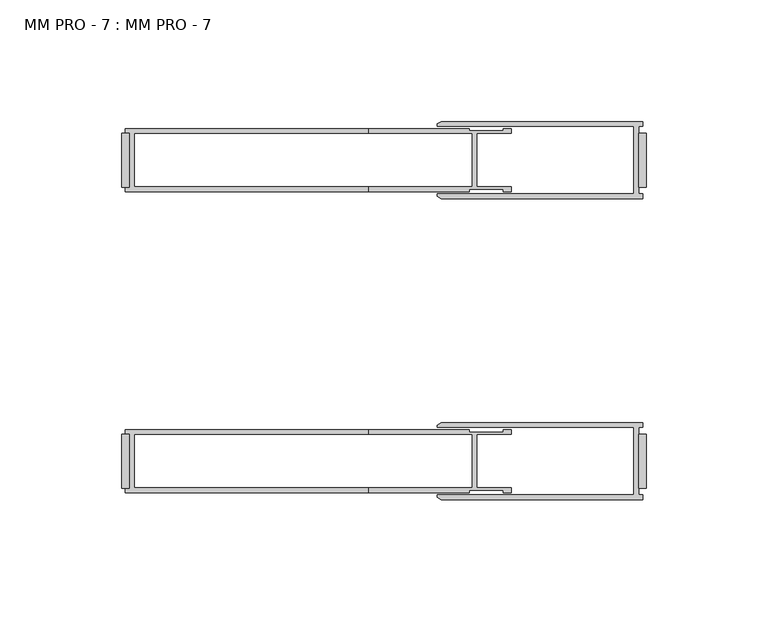
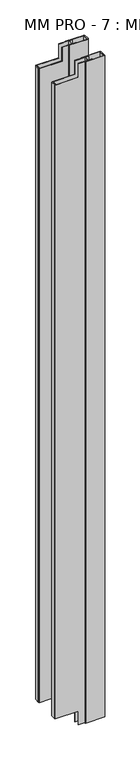
"""IFC4 building model written with IfcOpenShell, lengths in millimetres: proxy geometry, MM PRO - 7 : MM PRO - 7."""

import ifcopenshell
import ifcopenshell.guid

model = None  # the IFC model being written
_history = None  # IfcOwnerHistory: only IFC2X3 demands one
_inside = {}  # id of a spatial element -> (the spatial element, [elements in it])
_under = {}  # id of a project, library or spatial element -> (it, [spatial elements below it])
_declared = {}  # id of a project -> (the project, [libraries it declares])
_typed = {}  # id of a type object -> (the type object, [elements of that type])
_made_of = {}  # id of a material, layer set ... -> (it, [elements and type objects made of it])


def new_model(schema):
    """Start an empty IFC model of exactly this schema.

    Asked for "IFC4X3", IfcOpenShell would pick the latest addendum, in which some entities
    have other attributes; the version numbers below select the first issue.
    IFC2X3 requires an IfcOwnerHistory on every rooted entity: one is made here for all.
    """
    global model, _history
    if schema == "IFC4X3":
        model = ifcopenshell.file(schema_version=(4, 3, 0, 0))
    else:
        model = ifcopenshell.file(schema=schema)
    _inside.clear()
    _under.clear()
    _declared.clear()
    _typed.clear()
    _made_of.clear()
    _history = None
    if model.schema == "IFC2X3":
        org = make("IfcOrganization", Name="unknown")
        user = make(
            "IfcPersonAndOrganization",
            ThePerson=make("IfcPerson", FamilyName="unknown"),
            TheOrganization=org,
        )
        app = make(
            "IfcApplication",
            ApplicationDeveloper=org,
            Version="unknown",
            ApplicationFullName="unknown",
            ApplicationIdentifier="unknown",
        )
        _history = make(
            "IfcOwnerHistory",
            OwningUser=user,
            OwningApplication=app,
            ChangeAction="ADDED",
            CreationDate=0,
        )
    return model


def make(cls, **values):
    """One entity of the class cls with the attributes given. An attribute that is None is left unset."""
    return model.create_entity(
        cls, **{name: value for name, value in values.items() if value is not None}
    )


def rooted(cls, **values):
    """An entity with a GlobalId (a new one), such as an element, a storey or a relation."""
    return make(cls, GlobalId=ifcopenshell.guid.new(), OwnerHistory=_history, **values)


def si_unit(unit_type, name, prefix=None):
    """IfcSIUnit, for example si_unit("LENGTHUNIT", "METRE", prefix="MILLI")."""
    return make("IfcSIUnit", UnitType=unit_type, Prefix=prefix, Name=name)


def assignment(units):
    """IfcUnitAssignment: the units of a project."""
    return None if units is None else make("IfcUnitAssignment", Units=units)


def point(xyz):
    """IfcCartesianPoint."""
    return None if xyz is None else make("IfcCartesianPoint", Coordinates=xyz)


def direction(xyz):
    """IfcDirection."""
    return None if xyz is None else make("IfcDirection", DirectionRatios=xyz)


def frame(location, z_axis=None, x_axis=None):
    """IfcAxis2Placement3D, a coordinate frame: its origin and axes. An axis left out is left unset."""
    return make(
        "IfcAxis2Placement3D",
        Location=point(location),
        Axis=direction(z_axis),
        RefDirection=direction(x_axis),
    )


def origin():
    """The frame at (0, 0, 0) with its axes left unset."""
    return frame((0.0, 0.0, 0.0))


def origin_with_axes():
    """The frame at (0, 0, 0) with the z axis (0, 0, 1) and the x axis (1, 0, 0) written out."""
    return frame((0.0, 0.0, 0.0), z_axis=(0.0, 0.0, 1.0), x_axis=(1.0, 0.0, 0.0))


def place(relative_to, where):
    """IfcLocalPlacement: puts the frame where relative to a parent placement (None: the world)."""
    return make(
        "IfcLocalPlacement", PlacementRelTo=relative_to, RelativePlacement=where
    )


def context(
    kind, dimensions, precision=None, world=None, true_north=None, identifier=None
):
    """IfcGeometricRepresentationContext, for example the 3D "Model" context."""
    return make(
        "IfcGeometricRepresentationContext",
        ContextIdentifier=identifier,
        ContextType=kind,
        CoordinateSpaceDimension=dimensions,
        Precision=precision,
        WorldCoordinateSystem=world,
        TrueNorth=true_north,
    )


def project(units=None, contexts=None):
    """IfcProject with its units and contexts."""
    return rooted(
        "IfcProject",
        Name="project",
        RepresentationContexts=contexts,
        UnitsInContext=assignment(units),
    )


def spatial(cls, under=None, at=None, **own):
    """A site, building, storey or space (cls), placed at a placement, below another one or the project."""
    s = rooted(cls, ObjectPlacement=at, **own)
    if under is not None:
        _under.setdefault(under.id(), (under, []))[1].append(s)
    return s


def polyline(points):
    """IfcPolyline through the points."""
    return make("IfcPolyline", Points=[point(p) for p in points])


def outline(outer, holes=None, kind="AREA"):
    """IfcArbitraryClosedProfileDef: a profile drawn as a closed curve; with holes, ...WithVoids."""
    if holes is None:
        return make("IfcArbitraryClosedProfileDef", ProfileType=kind, OuterCurve=outer)
    return make(
        "IfcArbitraryProfileDefWithVoids",
        ProfileType=kind,
        OuterCurve=outer,
        InnerCurves=holes,
    )


def extrude(swept, where, along, depth):
    """IfcExtrudedAreaSolid: the profile swept, set in the frame where, extruded along a direction by depth."""
    return make(
        "IfcExtrudedAreaSolid",
        SweptArea=swept,
        Position=where,
        ExtrudedDirection=direction(along),
        Depth=depth,
    )


def faces_of(points, faces, orient=None, outer=None):
    """IfcFace entities. A face is a list of loops; a loop is a list of indices into points, from 0.

    orient and outer hold one flag for each loop. By default every Orientation is true, the
    first loop of a face is its IfcFaceOuterBound and the others are IfcFaceBound.
    """
    made = []
    for i, loops in enumerate(faces):
        bounds = []
        for j, loop in enumerate(loops):
            is_outer = j == 0 if outer is None else outer[i][j]
            bounds.append(
                make(
                    "IfcFaceOuterBound" if is_outer else "IfcFaceBound",
                    Bound=make("IfcPolyLoop", Polygon=[points[k] for k in loop]),
                    Orientation=True if orient is None else orient[i][j],
                )
            )
        made.append(make("IfcFace", Bounds=bounds))
    return made


def faceted_brep(points, faces, orient=None, outer=None, voids=None):
    """IfcFacetedBrep: a solid bounded by flat faces; with voids (closed shells), ...WithVoids."""
    shared = [point(p) for p in points]
    hull = make("IfcClosedShell", CfsFaces=faces_of(shared, faces, orient, outer))
    if voids is None:
        return make("IfcFacetedBrep", Outer=hull)
    return make(
        "IfcFacetedBrepWithVoids",
        Outer=hull,
        Voids=[
            make(cls, CfsFaces=faces_of(shared, fs, o, b)) for cls, fs, o, b in voids
        ],
    )


def shape(context_of_items, identifier, shape_type, items):
    """IfcShapeRepresentation: the items that make up one representation, for example the "Body"."""
    return make(
        "IfcShapeRepresentation",
        ContextOfItems=context_of_items,
        RepresentationIdentifier=identifier,
        RepresentationType=shape_type,
        Items=items,
    )


def source(mapping_origin, context_of_items, identifier, shape_type, items):
    """IfcRepresentationMap: a shape defined once, which mapped items show again and again."""
    return make(
        "IfcRepresentationMap",
        MappingOrigin=mapping_origin,
        MappedRepresentation=shape(context_of_items, identifier, shape_type, items),
    )


def transform(
    local_origin,
    x_axis=None,
    y_axis=None,
    z_axis=None,
    scale=None,
    scale2=None,
    scale3=None,
    uniform=True,
):
    """IfcCartesianTransformationOperator3D, or its non-uniform kind. x_axis, y_axis, z_axis: its Axis1, 2, 3."""
    if uniform:
        return make(
            "IfcCartesianTransformationOperator3D",
            Axis1=direction(x_axis),
            Axis2=direction(y_axis),
            LocalOrigin=point(local_origin),
            Scale=scale,
            Axis3=direction(z_axis),
        )
    return make(
        "IfcCartesianTransformationOperator3DnonUniform",
        Axis1=direction(x_axis),
        Axis2=direction(y_axis),
        LocalOrigin=point(local_origin),
        Scale=scale,
        Axis3=direction(z_axis),
        Scale2=scale2,
        Scale3=scale3,
    )


def mapped(mapping_source, mapping_target):
    """IfcMappedItem: shows the shape of a source again, moved by a transform."""
    return make(
        "IfcMappedItem", MappingSource=mapping_source, MappingTarget=mapping_target
    )


def made_of(thing, what):
    """Note that an element or type object is made of a material, layer set ...; save() writes the relation."""
    if what is not None:
        _made_of.setdefault(what.id(), (what, []))[1].append(thing)
    return thing


def element(
    cls,
    number,
    at=None,
    inside=None,
    cuts=None,
    type_object=None,
    material=None,
    context=None,
    identifier="Body",
    shape_type=None,
    held_by="IfcProductDefinitionShape",
    body=None,
    shapes=None,
    **own,
):
    """One element of the class cls, such as IfcWall. Its Tag is "e" and its number.

    at: its placement. inside: the storey or other place that contains it. cuts: it is an
    opening in that element (IfcRelVoidsElement). A single representation is given by context,
    identifier, shape_type and body (its items); several are given by shapes. held_by: the class
    of the entity that holds the representations. save() writes the other relations.
    """
    e = rooted(cls, Tag="e%d" % number, ObjectPlacement=at, **own)
    if body is not None:
        shapes = [shape(context, identifier, shape_type, body)]
    if shapes is not None:
        e.Representation = make(held_by, Representations=shapes)
    if inside is not None:
        _inside.setdefault(inside.id(), (inside, []))[1].append(e)
    if cuts is not None:
        rooted(
            "IfcRelVoidsElement", RelatingBuildingElement=cuts, RelatedOpeningElement=e
        )
    if type_object is not None:
        _typed.setdefault(type_object.id(), (type_object, []))[1].append(e)
    return made_of(e, material)


def aggregate(whole, parts):
    """IfcRelAggregates: a whole, such as a stair, and the parts it consists of."""
    return rooted("IfcRelAggregates", RelatingObject=whole, RelatedObjects=parts)


def save(model, path):
    """Write the relations noted so far, then the file.

    IfcRelAggregates (storeys below a building ...), IfcRelContainedInSpatialStructure (elements
    in a storey), IfcRelDefinesByType, IfcRelAssociatesMaterial and IfcRelDeclares: one each for
    every whole, place, type object, material and project.
    """
    for whole, parts in _under.values():
        aggregate(whole, parts)
    for where, things in _inside.values():
        rooted(
            "IfcRelContainedInSpatialStructure",
            RelatedElements=things,
            RelatingStructure=where,
        )
    for kind, things in _typed.values():
        rooted("IfcRelDefinesByType", RelatedObjects=things, RelatingType=kind)
    for what, things in _made_of.values():
        rooted("IfcRelAssociatesMaterial", RelatedObjects=things, RelatingMaterial=what)
    for by, libraries in _declared.values():
        rooted("IfcRelDeclares", RelatingContext=by, RelatedDefinitions=libraries)
    model.write(path)


def mm_pro_7_mm_pro_7_6fed7f50(model_context):
    return source(origin(), model_context, "Body", "SolidModel", [
        extrude(outline(polyline([(-3.175, 50.8), (-3.175, 73.025), (0.0, 73.025), (0.0, 50.8), (-3.175, 50.8)])), origin_with_axes(), (0.0, 0.0, 1.0), 3048.0),
        extrude(outline(polyline([(-3.175, -50.8), (0.0, -50.8), (0.0, -73.025), (-3.175, -73.025), (-3.175, -50.8)])), origin_with_axes(), (0.0, 0.0, 1.0), 3048.0),
        extrude(outline(polyline([(-215.9, 50.8), (-215.9, 73.025), (-212.725, 73.025), (-212.725, 50.8), (-215.9, 50.8)])), frame((0.0, 0.0, 63.5), z_axis=(0.0, 0.0, 1.0), x_axis=(1.0, 0.0, 0.0)), (0.0, 0.0, 1.0), 2921.0),
        extrude(outline(polyline([(-212.725, -50.8), (-212.725, -73.025), (-215.9, -73.025), (-215.9, -50.8), (-212.725, -50.8)])), frame((0.0, 0.0, 63.5), z_axis=(0.0, 0.0, 1.0), x_axis=(1.0, 0.0, 0.0)), (0.0, 0.0, 1.0), 2921.0),
        faceted_brep([(-72.9257812, 48.9148437, 3048.0), (-72.9257812, 49.9070312, 3048.0), (-58.9359375, 49.9070312, 3048.0), (-58.9359375, 48.9148437, 3048.0), (-55.5625, 48.9148437, 3048.0), (-55.5625, 50.8992187, 3048.0), (-69.7507812, 50.8992187, 3048.0), (-69.7507812, 72.9257812, 3048.0), (-55.5625, 72.9257812, 3048.0), (-55.5625, 74.9101562, 3048.0), (-58.9359375, 74.9101562, 3048.0), (-58.9359375, 73.9179687, 3048.0), (-72.9257812, 73.9179687, 3048.0), (-72.9257812, 74.9101562, 3048.0), (-114.3, 74.9101562, 3048.0), (-114.3, 72.9257812, 3048.0), (-71.7351562, 72.9257812, 3048.0), (-71.7351562, 50.8992187, 3048.0), (-114.3, 50.8992187, 3048.0), (-114.3, 48.9148437, 3048.0), (-72.9257812, 74.9101562, 0.0), (-72.9257812, 73.9179687, 0.0), (-58.9359375, 73.9179687, 0.0), (-58.9359375, 74.9101562, 0.0), (-55.5625, 74.9101562, 0.0), (-55.5625, 72.9257812, 0.0), (-69.7507812, 72.9257812, 0.0), (-69.7507812, 50.8992187, 0.0), (-55.5625, 50.8992187, 0.0), (-55.5625, 48.9148437, 0.0), (-58.9359375, 48.9148437, 0.0), (-58.9359375, 49.9070312, 0.0), (-72.9257812, 49.9070312, 0.0), (-72.9257812, 48.9148437, 0.0), (-114.3, 48.9148437, 0.0), (-114.3, 50.8992187, 0.0), (-71.7351562, 50.8992187, 0.0), (-71.7351562, 72.9257812, 0.0), (-114.3, 72.9257812, 0.0), (-114.3, 74.9101562, 0.0), (-214.3125, 48.9148437, 2984.5), (-214.3125, 50.8706437, 2984.5), (-214.3125, 50.8706437, 63.5), (-214.3125, 48.9148437, 63.5), (-114.3, 48.9148437, 2984.5), (-114.3, 48.9148437, 63.5), (-114.3, 74.9101562, 63.5), (-214.3125, 74.9101562, 63.5), (-214.3125, 74.9101562, 2984.5), (-114.3, 74.9101562, 2984.5), (-214.3125, 72.9543562, 2984.5), (-214.3125, 72.9543562, 63.5), (-212.725, 72.9543562, 2984.5), (-212.725, 72.9543562, 63.5), (-212.725, 50.8706437, 2984.5), (-212.725, 50.8706437, 63.5), (-114.3, 72.9257812, 2984.5), (-210.740625, 72.9257812, 2984.5), (-210.740625, 72.9257812, 63.5), (-114.3, 72.9257812, 63.5), (-114.3, 50.8992187, 63.5), (-210.740625, 50.8992187, 63.5), (-210.740625, 50.8992187, 2984.5), (-114.3, 50.8992187, 2984.5)], [[[0, 1, 2, 3, 4, 5, 6, 7, 8, 9, 10, 11, 12, 13, 14, 15, 16, 17, 18, 19]], [[20, 21, 22, 23, 24, 25, 26, 27, 28, 29, 30, 31, 32, 33, 34, 35, 36, 37, 38, 39]], [[40, 41, 42, 43]], [[33, 0, 19, 44, 40, 43, 45, 34]], [[1, 0, 33, 32]], [[2, 1, 32, 31]], [[3, 2, 31, 30]], [[4, 3, 30, 29]], [[5, 4, 29, 28]], [[6, 5, 28, 27]], [[7, 6, 27, 26]], [[8, 7, 26, 25]], [[9, 8, 25, 24]], [[10, 9, 24, 23]], [[11, 10, 23, 22]], [[12, 11, 22, 21]], [[13, 12, 21, 20]], [[13, 20, 39, 46, 47, 48, 49, 14]], [[50, 48, 47, 51]], [[52, 50, 51, 53]], [[54, 52, 53, 55]], [[41, 54, 55, 42]], [[37, 16, 15, 56, 57, 58, 59, 38]], [[17, 16, 37, 36]], [[17, 36, 35, 60, 61, 62, 63, 18]], [[57, 62, 61, 58]], [[56, 49, 48, 50, 52, 54, 41, 40, 44, 63, 62, 57]], [[49, 56, 15, 14]], [[63, 44, 19, 18]], [[59, 46, 39, 38]], [[45, 60, 35, 34]], [[46, 59, 58, 61, 60, 45, 43, 42, 55, 53, 51, 47]]]),
        faceted_brep([(-72.9257812, -74.9101563, 3048.0), (-72.9257812, -73.9179688, 3048.0), (-58.9359375, -73.9179688, 3048.0), (-58.9359375, -74.9101563, 3048.0), (-55.5625, -74.9101563, 3048.0), (-55.5625, -72.9257813, 3048.0), (-69.7507812, -72.9257813, 3048.0), (-69.7507812, -50.8992188, 3048.0), (-55.5625, -50.8992188, 3048.0), (-55.5625, -48.9148438, 3048.0), (-58.9359375, -48.9148438, 3048.0), (-58.9359375, -49.9070313, 3048.0), (-72.9257812, -49.9070313, 3048.0), (-72.9257812, -48.9148438, 3048.0), (-114.3, -48.9148438, 3048.0), (-114.3, -50.8992188, 3048.0), (-71.7351562, -50.8992188, 3048.0), (-71.7351562, -72.9257813, 3048.0), (-114.3, -72.9257813, 3048.0), (-114.3, -74.9101563, 3048.0), (-72.9257812, -48.9148438, 0.0), (-72.9257812, -49.9070313, 0.0), (-58.9359375, -49.9070313, 0.0), (-58.9359375, -48.9148438, 0.0), (-55.5625, -48.9148438, 0.0), (-55.5625, -50.8992188, 0.0), (-69.7507812, -50.8992188, 0.0), (-69.7507812, -72.9257813, 0.0), (-55.5625, -72.9257813, 0.0), (-55.5625, -74.9101563, 0.0), (-58.9359375, -74.9101563, 0.0), (-58.9359375, -73.9179688, 0.0), (-72.9257812, -73.9179688, 0.0), (-72.9257812, -74.9101563, 0.0), (-114.3, -74.9101563, 0.0), (-114.3, -72.9257813, 0.0), (-71.7351562, -72.9257813, 0.0), (-71.7351562, -50.8992188, 0.0), (-114.3, -50.8992188, 0.0), (-114.3, -48.9148438, 0.0), (-214.3125, -74.9101563, 2984.5), (-214.3125, -72.9543563, 2984.5), (-214.3125, -72.9543563, 63.5), (-214.3125, -74.9101563, 63.5), (-114.3, -74.9101563, 2984.5), (-114.3, -74.9101563, 63.5), (-114.3, -48.9148438, 63.5), (-214.3125, -48.9148438, 63.5), (-214.3125, -48.9148438, 2984.5), (-114.3, -48.9148438, 2984.5), (-214.3125, -50.8706438, 2984.5), (-214.3125, -50.8706438, 63.5), (-212.725, -50.8706438, 2984.5), (-212.725, -50.8706438, 63.5), (-212.725, -72.9543563, 2984.5), (-212.725, -72.9543563, 63.5), (-114.3, -72.9257813, 63.5), (-210.740625, -72.9257813, 63.5), (-210.740625, -72.9257813, 2984.5), (-114.3, -72.9257813, 2984.5), (-210.740625, -50.8992188, 2984.5), (-210.740625, -50.8992188, 63.5), (-114.3, -50.8992188, 2984.5), (-114.3, -50.8992188, 63.5)], [[[0, 1, 2, 3, 4, 5, 6, 7, 8, 9, 10, 11, 12, 13, 14, 15, 16, 17, 18, 19]], [[20, 21, 22, 23, 24, 25, 26, 27, 28, 29, 30, 31, 32, 33, 34, 35, 36, 37, 38, 39]], [[40, 41, 42, 43]], [[33, 0, 19, 44, 40, 43, 45, 34]], [[1, 0, 33, 32]], [[2, 1, 32, 31]], [[3, 2, 31, 30]], [[4, 3, 30, 29]], [[5, 4, 29, 28]], [[6, 5, 28, 27]], [[7, 6, 27, 26]], [[8, 7, 26, 25]], [[9, 8, 25, 24]], [[10, 9, 24, 23]], [[11, 10, 23, 22]], [[12, 11, 22, 21]], [[13, 12, 21, 20]], [[13, 20, 39, 46, 47, 48, 49, 14]], [[50, 48, 47, 51]], [[52, 50, 51, 53]], [[54, 52, 53, 55]], [[41, 54, 55, 42]], [[17, 36, 35, 56, 57, 58, 59, 18]], [[60, 58, 57, 61]], [[37, 16, 15, 62, 60, 61, 63, 38]], [[17, 16, 37, 36]], [[44, 59, 58, 60, 62, 49, 48, 50, 52, 54, 41, 40]], [[59, 44, 19, 18]], [[49, 62, 15, 14]], [[45, 56, 35, 34]], [[63, 46, 39, 38]], [[56, 45, 43, 42, 55, 53, 51, 47, 46, 63, 61, 57]]]),
        extrude(outline(polyline([(-84.3041371, 77.7875), (-1.5875, 77.7875), (-1.5875, 75.803125), (-3.175, 75.803125), (-3.175, 48.021875), (-1.5875, 48.021875), (-1.5875, 46.0375), (-84.3041371, 46.0375), (-86.0226562, 47.0296875), (-86.0226562, 48.021875), (-5.159375, 48.021875), (-5.159375, 75.803125), (-86.0226562, 75.803125), (-86.0226562, 76.7953125), (-84.3041371, 77.7875)])), origin_with_axes(), (0.0, 0.0, 1.0), 3048.0),
        extrude(outline(polyline([(-84.3041371, -46.0375), (-1.5875, -46.0375), (-1.5875, -48.021875), (-3.175, -48.021875), (-3.175, -75.803125), (-1.5875, -75.803125), (-1.5875, -77.7875), (-84.3041371, -77.7875), (-86.0226562, -76.7953125), (-86.0226562, -75.803125), (-5.159375, -75.803125), (-5.159375, -48.021875), (-86.0226562, -48.021875), (-86.0226562, -47.0296875), (-84.3041371, -46.0375)])), origin_with_axes(), (0.0, 0.0, 1.0), 3048.0),
    ])


if __name__ == "__main__":
    model = new_model("IFC4")
    model_context = context("Model", 3, world=origin())
    ifc_project = project(units=[si_unit("LENGTHUNIT", "METRE", prefix="MILLI")], contexts=[model_context])
    site = spatial("IfcSite", under=ifc_project)
    building = spatial("IfcBuilding", under=site)
    placement = place(None, origin())
    mm_pro_7_mm_pro_7_shape = mm_pro_7_mm_pro_7_6fed7f50(model_context)
    element("IfcBuildingElementProxy", 1, Name="MM PRO - 7 : MM PRO - 7", ObjectType="MM PRO - 7 : MM PRO - 7", at=placement, inside=building, context=model_context, shape_type="MappedRepresentation", body=[
        mapped(mm_pro_7_mm_pro_7_shape, transform((0.0, 0.0, 0.0), x_axis=(1.0, 0.0, 0.0), y_axis=(0.0, 1.0, 0.0), z_axis=(0.0, 0.0, 1.0))),
    ])
    save(model, "model.ifc")
